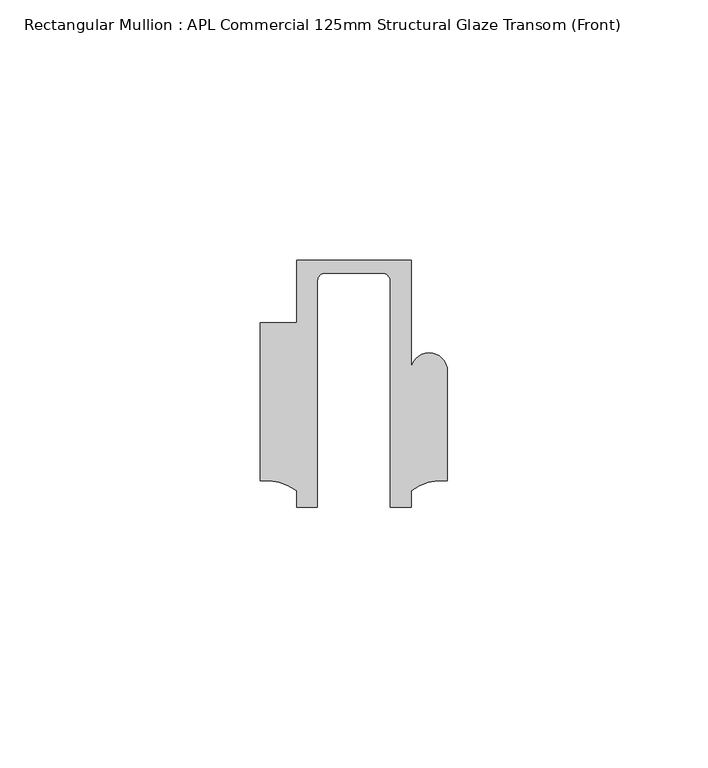
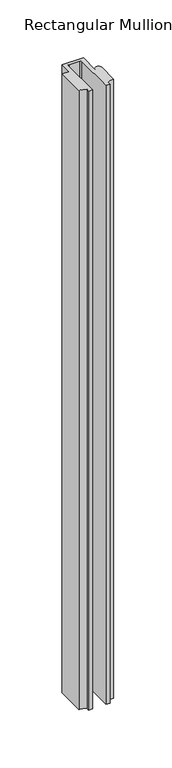
"""IFC4 building model written with IfcOpenShell, lengths in millimetres: member geometry, Rectangular Mullion : APL Commercial 125mm Structural Glaze Transom (Front)."""

from ifc_helpers import new_model, si_unit, frame, origin, place, context, project, spatial, polyline, circle_curve, source, transform, mapped, element, save
from ifc_brep_helpers import plane_surface, cylinder_surface, revolved_surface, advanced_brep


def rectangular_mullion_apl_commercial_125mm_structural_glaze_8acf4a85(model_context):
    return source(origin(), model_context, "Body", "AdvancedBrep", [
        advanced_brep(
        [(-11.0000151, 27.0, 0.0), (-11.0000151, 15.0006281, 0.0), (-17.9999542, 15.0006281, 0.0), (-17.9999542, -15.3797475, 0.0), (-10.9999994, -17.3125325, 0.0), (-10.9999994, -20.5, 0.0), (-6.9999853, -20.5, 0.0), (-6.9999853, 22.9976091, 0.0), (-5.4999873, 24.5, 0.0), (5.4999872, 24.5, 0.0), (6.9999849, 22.9973451, 0.0), (6.9999849, -20.5, 0.0), (11.0000151, -20.5, 0.0), (11.0000151, -17.3125212, 0.0), (17.9999542, -15.3797475, 0.0), (17.9999542, 5.684606, 0.0), (11.001071, 5.5848769, 0.0), (11.001071, 27.0, 0.0), (-11.0000151, 27.0, -679.1423286), (11.001071, 27.0, -679.1423286), (11.001071, 5.5848769, -679.1423286), (17.9999091, 5.6750512, -679.1423286), (17.9999542, -15.3797475, -679.1423286), (11.0000151, -17.3125212, -679.1423286), (11.0000151, -20.5, -679.1423286), (6.9999849, -20.5, -679.1423286), (6.9999849, 22.9973451, -679.1423286), (5.4999872, 24.5, -679.1423286), (-5.4999873, 24.5, -679.1423286), (-6.9999853, 22.9976091, -679.1423286), (-6.9999853, -20.5, -679.1423286), (-10.9999994, -20.5, -679.1423286), (-10.9999994, -17.3125325, -679.1423286), (-17.9999542, -15.3797475, -679.1423286), (-17.9999542, 15.0006281, -679.1423286), (-11.0000151, 15.0006281, -679.1423286)],
        [
            (0, 1),
            (1, 2),
            (2, 3),
            (3, 4, circle_curve(frame((-17.109817, -25.7981812, 0.0), z_axis=(0.0, 0.0, -1.0), x_axis=(0.0, 1.0, 0.0)), 10.4563907)),
            (4, 5),
            (5, 6),
            (6, 7),
            (7, 8, circle_curve(frame((-5.4999873, 23.0, 0.0), z_axis=(0.0, 0.0, -1.0), x_axis=(2.7320010112268853e-08, 0.9999999999999997, 0.0)), 1.5)),
            (8, 9),
            (9, 10, circle_curve(frame((5.4999872, 23.0, 0.0), z_axis=(0.0, 0.0, -1.0), x_axis=(0.9999999999999986, -5.463622857820516e-08, 0.0)), 1.5)),
            (10, 11),
            (11, 12),
            (12, 13),
            (13, 14, circle_curve(frame((17.109817, -25.7981812, 0.0), z_axis=(0.0, 0.0, -1.0), x_axis=(0.0, 1.0, 0.0)), 10.4563907)),
            (14, 15),
            (15, 16, circle_curve(frame((14.4999091, 5.6750512, 0.0), z_axis=(0.0, 0.0, 1.0), x_axis=(-0.9999826028573957, -0.005898642432633649, 0.0)), 3.5)),
            (16, 17),
            (17, 0),
            (18, 19),
            (19, 20),
            (20, 21, circle_curve(frame((14.4999091, 5.6750512, -679.1423286), z_axis=(0.0, 0.0, -1.0), x_axis=(-0.9999826028573957, -0.005898642432633649, 0.0)), 3.5)),
            (21, 22),
            (22, 23, circle_curve(frame((17.109817, -25.7981812, -679.1423286), z_axis=(0.0, 0.0, 1.0), x_axis=(0.0, 1.0, 0.0)), 10.4563907)),
            (23, 24),
            (24, 25),
            (25, 26),
            (26, 27, circle_curve(frame((5.4999872, 23.0, -679.1423286), z_axis=(0.0, 0.0, 1.0), x_axis=(0.9999999999999986, -5.463622857820516e-08, 0.0)), 1.5)),
            (27, 28),
            (28, 29, circle_curve(frame((-5.4999873, 23.0, -679.1423286), z_axis=(0.0, 0.0, 1.0), x_axis=(2.7320010112268853e-08, 0.9999999999999997, 0.0)), 1.5)),
            (29, 30),
            (30, 31),
            (31, 32),
            (32, 33, circle_curve(frame((-17.109817, -25.7981812, -679.1423286), z_axis=(0.0, 0.0, 1.0), x_axis=(0.0, 1.0, 0.0)), 10.4563907)),
            (33, 34),
            (34, 35),
            (35, 18),
            (0, 18),
            (35, 1),
            (34, 2),
            (33, 3),
            (32, 4),
            (31, 5),
            (30, 6),
            (29, 7),
            (28, 8),
            (27, 9),
            (26, 10),
            (25, 11),
            (24, 12),
            (23, 13),
            (22, 14),
            (21, 15),
            (20, 16),
            (19, 17),
        ],
        [
            plane_surface(frame((0.0, -29.1551636, 0.0), z_axis=(0.0, 0.0, 1.0), x_axis=(-1.0, 0.0, 0.0))),
            plane_surface(frame((0.0, -29.1551636, -679.1423286), z_axis=(0.0, 0.0, -1.0), x_axis=(-1.0, 0.0, 0.0))),
            plane_surface(frame((-11.0000151, 27.0, 0.0), z_axis=(-1.0, 0.0, 0.0), x_axis=(0.0, 0.0, -1.0))),
            plane_surface(frame((-11.0000151, 15.0006281, 0.0), z_axis=(0.0, 1.0, 0.0), x_axis=(0.0, 0.0, -1.0))),
            plane_surface(frame((-17.9999542, 15.0006281, 0.0), z_axis=(-1.0, 0.0, 0.0), x_axis=(0.0, 0.0, -1.0))),
            revolved_surface(polyline([(-17.109817, -15.341790499999998, -679.1423286), (-17.109817, -15.341790499999998, 0.0)]), (-17.109817, -25.7981812, 0.0), (0.0, 0.0, -1.0)),
            plane_surface(frame((-10.9999994, -17.3125325, 0.0), z_axis=(-1.0, 0.0, 0.0), x_axis=(0.0, 0.0, -1.0))),
            plane_surface(frame((-10.9999994, -20.5, 0.0), z_axis=(0.0, -1.0, 0.0), x_axis=(0.0, 0.0, -1.0))),
            plane_surface(frame((-6.9999853, -20.5, 0.0), z_axis=(1.0, 0.0, 0.0), x_axis=(0.0, 0.0, -1.0))),
            revolved_surface(polyline([(-5.499987259019985, 24.5, -679.1423286), (-5.499987259019985, 24.5, 0.0)]), (-5.4999873, 23.0, 0.0), (0.0, 0.0, -1.0)),
            plane_surface(frame((-5.4999873, 24.5, 0.0), z_axis=(0.0, -1.0, 0.0), x_axis=(0.0, 0.0, -1.0))),
            revolved_surface(polyline([(6.999987199999998, 22.999999918045656, -679.1423286), (6.999987199999998, 22.999999918045656, 0.0)]), (5.4999872, 23.0, 0.0), (0.0, 0.0, -1.0)),
            plane_surface(frame((6.9999849, 22.9973451, 0.0), z_axis=(-1.0, 0.0, 0.0), x_axis=(0.0, 0.0, -1.0))),
            plane_surface(frame((6.9999849, -20.5, 0.0), z_axis=(0.0, -1.0, 0.0), x_axis=(0.0, 0.0, -1.0))),
            plane_surface(frame((11.0000151, -20.5, 0.0), z_axis=(1.0, 0.0, 0.0), x_axis=(0.0, 0.0, -1.0))),
            revolved_surface(polyline([(17.109817, -15.341790499999998, -679.1423286), (17.109817, -15.341790499999998, 0.0)]), (17.109817, -25.7981812, 0.0), (0.0, 0.0, -1.0)),
            plane_surface(frame((17.9999542, -15.3797475, 0.0), z_axis=(1.0, 0.0, 0.0), x_axis=(0.0, 0.0, -1.0))),
            cylinder_surface(frame((14.4999091, 5.6750512, 0.0), z_axis=(0.0, 0.0, 1.0), x_axis=(-0.9999826028573957, -0.005898642432633649, 0.0)), 3.5),
            plane_surface(frame((11.001071, 5.5848769, 0.0), z_axis=(1.0, 0.0, 0.0), x_axis=(0.0, 0.0, -1.0))),
            plane_surface(frame((11.001071, 27.0, 0.0), z_axis=(0.0, 1.0, 0.0), x_axis=(0.0, 0.0, -1.0))),
        ],
        [
            (0, [[1, 2, 3, 4, 5, 6, 7, 8, 9, 10, 11, 12, 13, 14, 15, 16, 17, 18]]),
            (1, [[19, 20, 21, 22, 23, 24, 25, 26, 27, 28, 29, 30, 31, 32, 33, 34, 35, 36]]),
            (2, [[-1, 37, -36, 38]]),
            (3, [[-2, -38, -35, 39]]),
            (4, [[-3, -39, -34, 40]]),
            (5, [[-4, -40, -33, 41]]),
            (6, [[-5, -41, -32, 42]]),
            (7, [[-6, -42, -31, 43]]),
            (8, [[-7, -43, -30, 44]]),
            (9, [[-8, -44, -29, 45]]),
            (10, [[-9, -45, -28, 46]]),
            (11, [[-10, -46, -27, 47]]),
            (12, [[-11, -47, -26, 48]]),
            (13, [[-12, -48, -25, 49]]),
            (14, [[-13, -49, -24, 50]]),
            (15, [[-14, -50, -23, 51]]),
            (16, [[-15, -51, -22, 52]]),
            (17, [[-16, -52, -21, 53]]),
            (18, [[-17, -53, -20, 54]]),
            (19, [[-18, -54, -19, -37]]),
        ],
    ),
    ])


if __name__ == "__main__":
    model = new_model("IFC4")
    model_context = context("Model", 3, world=origin())
    ifc_project = project(units=[si_unit("LENGTHUNIT", "METRE", prefix="MILLI")], contexts=[model_context])
    site = spatial("IfcSite", under=ifc_project)
    building = spatial("IfcBuilding", under=site)
    placement = place(None, origin())
    rectangular_mullion_apl_commercial_125mm_structural_glaze_shape = rectangular_mullion_apl_commercial_125mm_structural_glaze_8acf4a85(model_context)
    element("IfcMember", 1, ObjectType="Rectangular Mullion : APL Commercial 125mm Structural Glaze Transom (Front)", at=placement, inside=building, context=model_context, shape_type="MappedRepresentation", body=[
        mapped(rectangular_mullion_apl_commercial_125mm_structural_glaze_shape, transform((0.0, 0.0, 0.0), x_axis=(1.0, 0.0, 0.0), y_axis=(0.0, 1.0, 0.0), z_axis=(0.0, 0.0, 1.0))),
    ])
    save(model, "model.ifc")
